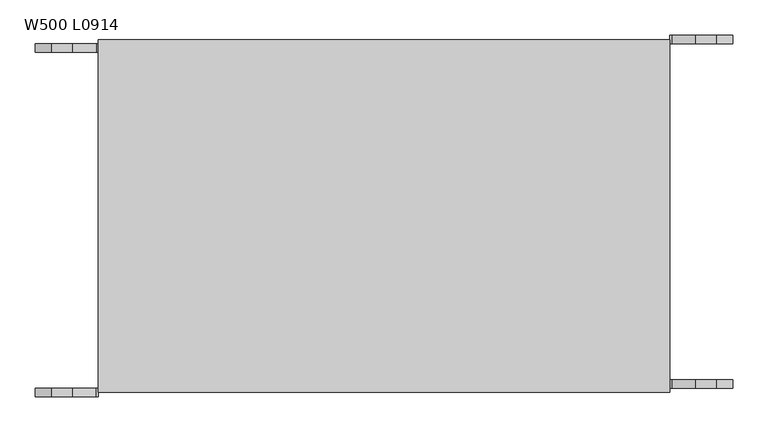
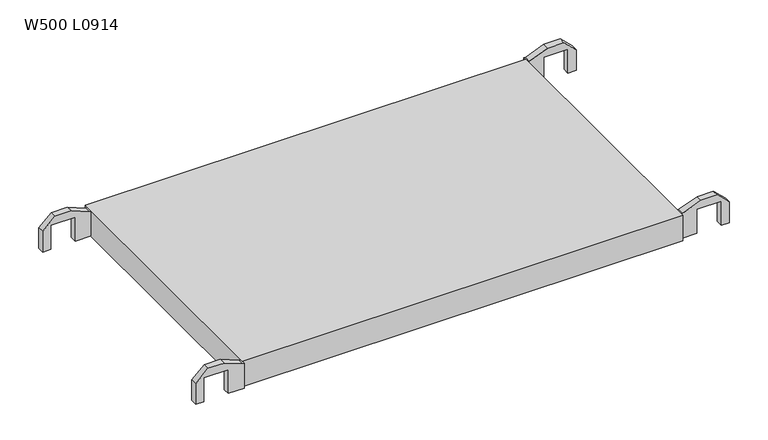
"""IFC4 building model written with IfcOpenShell, lengths in millimetres: proxy geometry, W500 L0914."""

from ifc_helpers import new_model, si_unit, frame, origin, place, context, project, spatial, polyline, outline, extrude, source, transform, mapped, element, save


def w500_l0914_123221d8(model_context):
    return source(origin(), model_context, "Body", "SweptSolid", [
        extrude(outline(polyline([(24.1, 52.2699789), (24.1, 48.7699789), (37.5, 15.1641799), (37.5, -14.6242221), (16.179605, -37.2300211), (-24.1, -37.2300211), (-24.1, -22.2300211), (22.4243463, -22.2300211), (22.4243463, 22.7699789), (-24.1, 22.7699789), (-24.1, 52.2699789), (24.1, 52.2699789)])), frame((0.0, 488.0, 0.0), z_axis=(0.0, 1.0, 0.0), x_axis=(0.0, 0.0, 1.0)), (0.0, 0.0, 1.0), 12.0),
        extrude(outline(polyline([(24.1, 861.6474649), (-24.1, 861.6474649), (-24.1, 891.1474649), (22.4243463, 891.1474649), (22.4243463, 936.1474649), (-24.1, 936.1474649), (-24.1, 951.1474649), (16.179605, 951.1474649), (37.5, 928.5416659), (37.5, 898.7532639), (24.1, 865.1474649), (24.1, 861.6474649)])), frame((0.0, 500.0, 0.0), z_axis=(0.0, 1.0, 0.0), x_axis=(0.0, 0.0, 1.0)), (0.0, 0.0, 1.0), 12.0),
        extrude(outline(polyline([(24.1, 52.0825562), (24.1, 48.5825562), (37.5, 14.9767572), (37.5, -14.8116448), (16.179605, -37.4174438), (-24.1, -37.4174438), (-24.1, -22.4174438), (22.4243463, -22.4174438), (22.4243463, 22.5825562), (-24.1, 22.5825562), (-24.1, 52.0825562), (24.1, 52.0825562)])), frame((0.0, 0.0, 0.0), z_axis=(0.0, 1.0, 0.0), x_axis=(0.0, 0.0, 1.0)), (0.0, 0.0, 1.0), 12.0),
        extrude(outline(polyline([(24.1, 861.6474649), (-24.1, 861.6474649), (-24.1, 891.1474649), (22.4243463, 891.1474649), (22.4243463, 936.1474649), (-24.1, 936.1474649), (-24.1, 951.1474649), (16.179605, 951.1474649), (37.5, 928.5416659), (37.5, 898.7532639), (24.1, 865.1474649), (24.1, 861.6474649)])), frame((0.0, 12.0, 0.0), z_axis=(0.0, 1.0, 0.0), x_axis=(0.0, 0.0, 1.0)), (0.0, 0.0, 1.0), 12.0),
        extrude(outline(polyline([(52.0, 6.0), (52.0, 506.0), (862.0, 506.0), (862.0, 6.0), (52.0, 6.0)])), frame((0.0, 0.0, -25.0), z_axis=(0.0, 0.0, 1.0), x_axis=(1.0, 0.0, 0.0)), (0.0, 0.0, 1.0), 50.0),
    ])


if __name__ == "__main__":
    model = new_model("IFC4")
    model_context = context("Model", 3, world=origin())
    ifc_project = project(units=[si_unit("LENGTHUNIT", "METRE", prefix="MILLI")], contexts=[model_context])
    site = spatial("IfcSite", under=ifc_project)
    building = spatial("IfcBuilding", under=site)
    placement = place(None, origin())
    w500_l0914_shape = w500_l0914_123221d8(model_context)
    element("IfcBuildingElementProxy", 1, Name="W500 L0914", ObjectType="W500 L0914", at=placement, inside=building, context=model_context, shape_type="MappedRepresentation", body=[
        mapped(w500_l0914_shape, transform((0.0, 0.0, 0.0), x_axis=(1.0, 0.0, 0.0), y_axis=(0.0, 1.0, 0.0), z_axis=(0.0, 0.0, 1.0))),
    ])
    save(model, "model.ifc")
